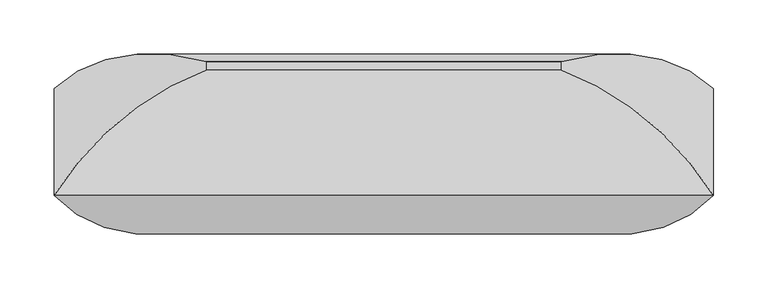
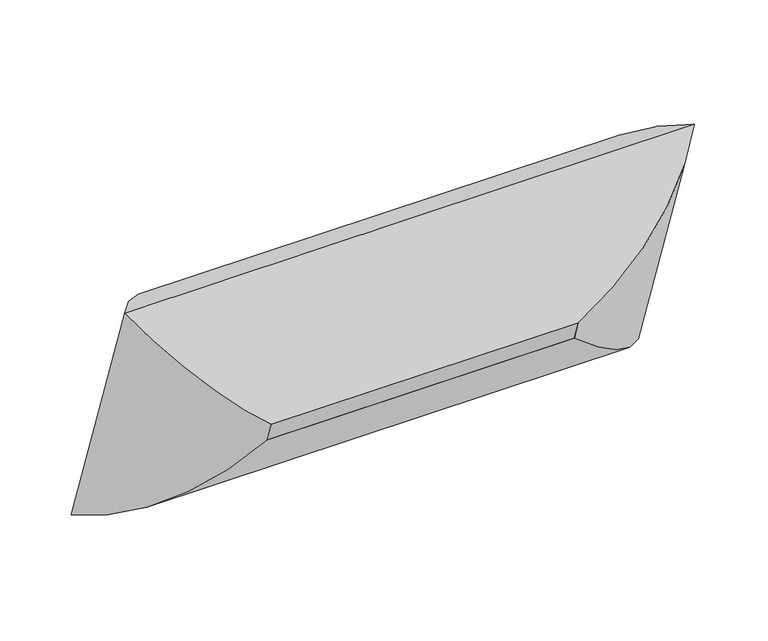
"""IFC4 building model written with IfcOpenShell, lengths in millimetres: furniture geometry."""

from ifc_helpers import new_model, si_unit, frame, origin, place, context, project, spatial, polyline, ellipse_curve, outline, extrude, source, transform, mapped, element, save
from ifc_brep_helpers import plane_surface, cylinder_surface, advanced_brep


def furniture_edc5ad4f(model_context):
    return source(origin(), model_context, "Body", "SolidModel", [
        advanced_brep(
        [(-164.30625, -127.0156513, 561.4940984), (-304.4741804, -99.0210205, 719.3779248), (-304.4741804, 0.0, 431.8), (-164.30625, -119.2630596, 538.9789373), (-164.30625, 17.0813796, 611.1106852), (-164.30625, 24.8339713, 588.5955241), (304.4741804, 0.0, 431.8), (164.30625, -119.2630596, 538.9789373), (164.30625, 24.8339713, 588.5955241), (304.4741804, -99.0210205, 719.3779248), (164.30625, -127.0156513, 561.4940984), (164.30625, 17.0813796, 611.1106852)],
        [
            (0, 1, ellipse_curve(frame((-159.526504, 38.767439, 613.522636), z_axis=(-0.7071067811865476, 0.23021144975504015, -0.6685825965441236), x_axis=(-0.7071067811865472, -0.23021144975504024, 0.668582596544124)), 245.7274984, 173.7555804)),
            (1, 2),
            (2, 3, ellipse_curve(frame((-159.526504, 43.4077645, 600.0461521), z_axis=(-0.7071067811865474, -0.23021144975504024, 0.6685825965441239), x_axis=(0.7071067811865476, -0.2302114497550402, 0.6685825965441238)), 245.7274984, 173.7555804)),
            (3, 0),
            (4, 0),
            (3, 5),
            (5, 4),
            (1, 4, ellipse_curve(frame((-155.1179464, -156.1281422, 541.752124), z_axis=(-0.7071067811865476, 0.23021144975504015, -0.6685825965441236), x_axis=(-0.7071067811865472, -0.23021144975504024, 0.668582596544124)), 263.8641638, 186.5801395)),
            (5, 2, ellipse_curve(frame((-155.1179464, -154.3583886, 536.6123863), z_axis=(-0.7071067811865474, -0.23021144975504024, 0.6685825965441239), x_axis=(0.7071067811865476, -0.2302114497550402, 0.6685825965441238)), 263.8641638, 186.5801395)),
            (2, 6),
            (6, 7, ellipse_curve(frame((159.526504, 43.4077645, 600.0461521), z_axis=(-0.7071067811865476, 0.23021144975504035, -0.6685825965441237), x_axis=(-0.7071067811865474, -0.2302114497550404, 0.6685825965441238)), 245.7274984, 173.7555804)),
            (7, 3),
            (7, 8),
            (8, 5),
            (8, 6, ellipse_curve(frame((155.1179464, -154.3583886, 536.6123863), z_axis=(-0.7071067811865476, 0.23021144975504035, -0.6685825965441237), x_axis=(-0.7071067811865474, -0.2302114497550404, 0.6685825965441238)), 263.8641638, 186.5801395)),
            (6, 9),
            (9, 10, ellipse_curve(frame((159.526504, 38.767439, 613.522636), z_axis=(0.7071067811865474, 0.2302114497550404, -0.6685825965441239), x_axis=(-0.7071067811865478, 0.23021144975504026, -0.6685825965441236)), 245.7274984, 173.7555804)),
            (10, 7),
            (10, 11),
            (11, 8),
            (11, 9, ellipse_curve(frame((155.1179464, -156.1281422, 541.752124), z_axis=(0.7071067811865474, 0.2302114497550404, -0.6685825965441239), x_axis=(-0.7071067811865478, 0.23021144975504026, -0.6685825965441236)), 263.8641638, 186.5801395)),
            (9, 1),
            (0, 10),
            (4, 11),
        ],
        [
            cylinder_surface(frame((-159.526504, 37.2113059, 618.0419746), z_axis=(0.0, -0.3255681544571502, 0.9455185755993191), x_axis=(0.0, -0.9455185755993191, -0.3255681544571502)), 173.7555804),
            plane_surface(frame((-164.30625, -127.0156513, 561.4940984), z_axis=(1.0000000000000002, 0.0, 0.0), x_axis=(0.0, 0.32556815445714904, -0.9455185755993195))),
            cylinder_surface(frame((-155.1179464, -159.1195612, 550.4398357), z_axis=(0.0, -0.3255681544571502, 0.9455185755993191), x_axis=(0.0, -0.9455185755993191, -0.3255681544571502)), 186.5801395),
            cylinder_surface(frame((-164.30625, 43.4077645, 600.0461521), z_axis=(-1.0000000000000002, 0.0, 0.0), x_axis=(0.0, -0.9455185755993191, -0.3255681544571505)), 173.7555804),
            plane_surface(frame((-164.30625, -119.2630596, 538.9789373), z_axis=(0.0, -0.3255681544571507, 0.945518575599319), x_axis=(1.0, 0.0, 0.0))),
            cylinder_surface(frame((-164.30625, -154.3583886, 536.6123863), z_axis=(-1.0000000000000002, 0.0, 0.0), x_axis=(0.0, -0.9455185755993191, -0.3255681544571505)), 186.5801395),
            cylinder_surface(frame((159.526504, 44.9638976, 595.5268135), z_axis=(0.0, 0.3255681544571504, -0.9455185755993191), x_axis=(0.0, -0.9455185755993191, -0.3255681544571504)), 173.7555804),
            plane_surface(frame((164.30625, -119.2630596, 538.9789373), z_axis=(-1.0000000000000002, 0.0, 0.0), x_axis=(0.0, -0.325568154457149, 0.9455185755993195))),
            cylinder_surface(frame((155.1179464, -151.3669696, 527.9246746), z_axis=(0.0, 0.3255681544571504, -0.9455185755993191), x_axis=(0.0, -0.9455185755993191, -0.3255681544571504)), 186.5801395),
            cylinder_surface(frame((164.30625, 38.767439, 613.522636), z_axis=(1.0, 0.0, 0.0), x_axis=(0.0, -0.945518575599319, -0.3255681544571504)), 173.7555804),
            plane_surface(frame((164.30625, -127.0156513, 561.4940984), z_axis=(0.0, 0.32556815445715015, -0.9455185755993191), x_axis=(-1.0, 0.0, 0.0))),
            cylinder_surface(frame((164.30625, -156.1281422, 541.752124), z_axis=(1.0, 0.0, 0.0), x_axis=(0.0, -0.945518575599319, -0.3255681544571504)), 186.5801395),
        ],
        [
            (0, [[1, 2, 3, 4]]),
            (1, [[5, -4, 6, 7]]),
            (2, [[8, -7, 9, -2]]),
            (3, [[-3, 10, 11, 12]]),
            (4, [[-6, -12, 13, 14]]),
            (5, [[-9, -14, 15, -10]]),
            (6, [[-11, 16, 17, 18]]),
            (7, [[-13, -18, 19, 20]]),
            (8, [[-15, -20, 21, -16]]),
            (9, [[-17, 22, -1, 23]]),
            (10, [[-19, -23, -5, 24]]),
            (11, [[-21, -24, -8, -22]]),
        ],
    ),
        extrude(outline(polyline([(0.0, -328.6125), (0.0, 0.0), (152.4, 0.0), (152.4, -328.6125), (0.0, -328.6125)])), frame((-164.30625, -119.2630596, 538.9789373), z_axis=(0.0, -0.3255681544571503, 0.9455185755993191), x_axis=(0.0, 0.9455185755993191, 0.3255681544571503)), (0.0, 0.0, 1.0), 23.8125),
    ])


if __name__ == "__main__":
    model = new_model("IFC4")
    model_context = context("Model", 3, world=origin())
    ifc_project = project(units=[si_unit("LENGTHUNIT", "METRE", prefix="MILLI")], contexts=[model_context])
    site = spatial("IfcSite", under=ifc_project)
    building = spatial("IfcBuilding", under=site)
    placement = place(None, origin())
    furniture_shape = furniture_edc5ad4f(model_context)
    element("IfcFurniture", 1, at=placement, inside=building, context=model_context, shape_type="MappedRepresentation", body=[
        mapped(furniture_shape, transform((0.0, 0.0, 0.0), x_axis=(1.0, 0.0, 0.0), y_axis=(0.0, 1.0, 0.0), z_axis=(0.0, 0.0, 1.0))),
    ])
    save(model, "model.ifc")
